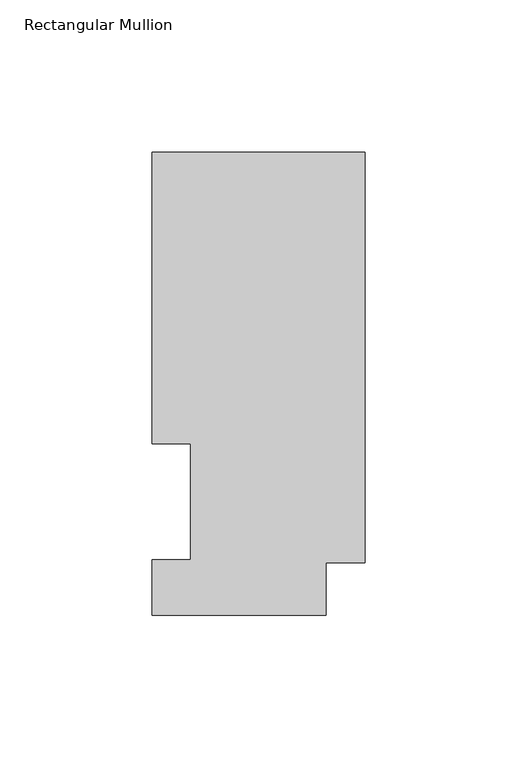
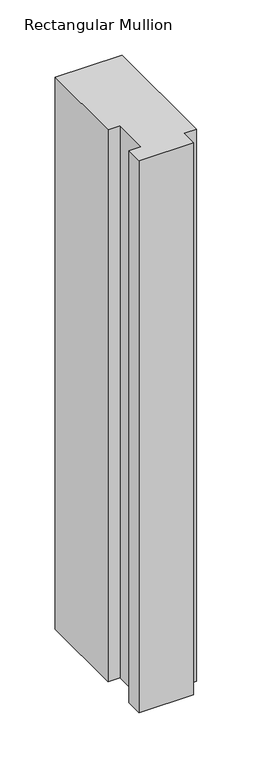
"""IFC4 building model written with IfcOpenShell, lengths in millimetres: member geometry, Rectangular Mullion."""

import ifcopenshell
import ifcopenshell.guid

model = None  # the IFC model being written
_history = None  # IfcOwnerHistory: only IFC2X3 demands one
_inside = {}  # id of a spatial element -> (the spatial element, [elements in it])
_under = {}  # id of a project, library or spatial element -> (it, [spatial elements below it])
_declared = {}  # id of a project -> (the project, [libraries it declares])
_typed = {}  # id of a type object -> (the type object, [elements of that type])
_made_of = {}  # id of a material, layer set ... -> (it, [elements and type objects made of it])


def new_model(schema):
    """Start an empty IFC model of exactly this schema.

    Asked for "IFC4X3", IfcOpenShell would pick the latest addendum, in which some entities
    have other attributes; the version numbers below select the first issue.
    IFC2X3 requires an IfcOwnerHistory on every rooted entity: one is made here for all.
    """
    global model, _history
    if schema == "IFC4X3":
        model = ifcopenshell.file(schema_version=(4, 3, 0, 0))
    else:
        model = ifcopenshell.file(schema=schema)
    _inside.clear()
    _under.clear()
    _declared.clear()
    _typed.clear()
    _made_of.clear()
    _history = None
    if model.schema == "IFC2X3":
        org = make("IfcOrganization", Name="unknown")
        user = make(
            "IfcPersonAndOrganization",
            ThePerson=make("IfcPerson", FamilyName="unknown"),
            TheOrganization=org,
        )
        app = make(
            "IfcApplication",
            ApplicationDeveloper=org,
            Version="unknown",
            ApplicationFullName="unknown",
            ApplicationIdentifier="unknown",
        )
        _history = make(
            "IfcOwnerHistory",
            OwningUser=user,
            OwningApplication=app,
            ChangeAction="ADDED",
            CreationDate=0,
        )
    return model


def make(cls, **values):
    """One entity of the class cls with the attributes given. An attribute that is None is left unset."""
    return model.create_entity(
        cls, **{name: value for name, value in values.items() if value is not None}
    )


def rooted(cls, **values):
    """An entity with a GlobalId (a new one), such as an element, a storey or a relation."""
    return make(cls, GlobalId=ifcopenshell.guid.new(), OwnerHistory=_history, **values)


def si_unit(unit_type, name, prefix=None):
    """IfcSIUnit, for example si_unit("LENGTHUNIT", "METRE", prefix="MILLI")."""
    return make("IfcSIUnit", UnitType=unit_type, Prefix=prefix, Name=name)


def assignment(units):
    """IfcUnitAssignment: the units of a project."""
    return None if units is None else make("IfcUnitAssignment", Units=units)


def point(xyz):
    """IfcCartesianPoint."""
    return None if xyz is None else make("IfcCartesianPoint", Coordinates=xyz)


def direction(xyz):
    """IfcDirection."""
    return None if xyz is None else make("IfcDirection", DirectionRatios=xyz)


def frame(location, z_axis=None, x_axis=None):
    """IfcAxis2Placement3D, a coordinate frame: its origin and axes. An axis left out is left unset."""
    return make(
        "IfcAxis2Placement3D",
        Location=point(location),
        Axis=direction(z_axis),
        RefDirection=direction(x_axis),
    )


def origin():
    """The frame at (0, 0, 0) with its axes left unset."""
    return frame((0.0, 0.0, 0.0))


def place(relative_to, where):
    """IfcLocalPlacement: puts the frame where relative to a parent placement (None: the world)."""
    return make(
        "IfcLocalPlacement", PlacementRelTo=relative_to, RelativePlacement=where
    )


def context(
    kind, dimensions, precision=None, world=None, true_north=None, identifier=None
):
    """IfcGeometricRepresentationContext, for example the 3D "Model" context."""
    return make(
        "IfcGeometricRepresentationContext",
        ContextIdentifier=identifier,
        ContextType=kind,
        CoordinateSpaceDimension=dimensions,
        Precision=precision,
        WorldCoordinateSystem=world,
        TrueNorth=true_north,
    )


def project(units=None, contexts=None):
    """IfcProject with its units and contexts."""
    return rooted(
        "IfcProject",
        Name="project",
        RepresentationContexts=contexts,
        UnitsInContext=assignment(units),
    )


def spatial(cls, under=None, at=None, **own):
    """A site, building, storey or space (cls), placed at a placement, below another one or the project."""
    s = rooted(cls, ObjectPlacement=at, **own)
    if under is not None:
        _under.setdefault(under.id(), (under, []))[1].append(s)
    return s


def polyline(points):
    """IfcPolyline through the points."""
    return make("IfcPolyline", Points=[point(p) for p in points])


def outline(outer, holes=None, kind="AREA"):
    """IfcArbitraryClosedProfileDef: a profile drawn as a closed curve; with holes, ...WithVoids."""
    if holes is None:
        return make("IfcArbitraryClosedProfileDef", ProfileType=kind, OuterCurve=outer)
    return make(
        "IfcArbitraryProfileDefWithVoids",
        ProfileType=kind,
        OuterCurve=outer,
        InnerCurves=holes,
    )


def extrude(swept, where, along, depth):
    """IfcExtrudedAreaSolid: the profile swept, set in the frame where, extruded along a direction by depth."""
    return make(
        "IfcExtrudedAreaSolid",
        SweptArea=swept,
        Position=where,
        ExtrudedDirection=direction(along),
        Depth=depth,
    )


def shape(context_of_items, identifier, shape_type, items):
    """IfcShapeRepresentation: the items that make up one representation, for example the "Body"."""
    return make(
        "IfcShapeRepresentation",
        ContextOfItems=context_of_items,
        RepresentationIdentifier=identifier,
        RepresentationType=shape_type,
        Items=items,
    )


def source(mapping_origin, context_of_items, identifier, shape_type, items):
    """IfcRepresentationMap: a shape defined once, which mapped items show again and again."""
    return make(
        "IfcRepresentationMap",
        MappingOrigin=mapping_origin,
        MappedRepresentation=shape(context_of_items, identifier, shape_type, items),
    )


def transform(
    local_origin,
    x_axis=None,
    y_axis=None,
    z_axis=None,
    scale=None,
    scale2=None,
    scale3=None,
    uniform=True,
):
    """IfcCartesianTransformationOperator3D, or its non-uniform kind. x_axis, y_axis, z_axis: its Axis1, 2, 3."""
    if uniform:
        return make(
            "IfcCartesianTransformationOperator3D",
            Axis1=direction(x_axis),
            Axis2=direction(y_axis),
            LocalOrigin=point(local_origin),
            Scale=scale,
            Axis3=direction(z_axis),
        )
    return make(
        "IfcCartesianTransformationOperator3DnonUniform",
        Axis1=direction(x_axis),
        Axis2=direction(y_axis),
        LocalOrigin=point(local_origin),
        Scale=scale,
        Axis3=direction(z_axis),
        Scale2=scale2,
        Scale3=scale3,
    )


def mapped(mapping_source, mapping_target):
    """IfcMappedItem: shows the shape of a source again, moved by a transform."""
    return make(
        "IfcMappedItem", MappingSource=mapping_source, MappingTarget=mapping_target
    )


def made_of(thing, what):
    """Note that an element or type object is made of a material, layer set ...; save() writes the relation."""
    if what is not None:
        _made_of.setdefault(what.id(), (what, []))[1].append(thing)
    return thing


def element(
    cls,
    number,
    at=None,
    inside=None,
    cuts=None,
    type_object=None,
    material=None,
    context=None,
    identifier="Body",
    shape_type=None,
    held_by="IfcProductDefinitionShape",
    body=None,
    shapes=None,
    **own,
):
    """One element of the class cls, such as IfcWall. Its Tag is "e" and its number.

    at: its placement. inside: the storey or other place that contains it. cuts: it is an
    opening in that element (IfcRelVoidsElement). A single representation is given by context,
    identifier, shape_type and body (its items); several are given by shapes. held_by: the class
    of the entity that holds the representations. save() writes the other relations.
    """
    e = rooted(cls, Tag="e%d" % number, ObjectPlacement=at, **own)
    if body is not None:
        shapes = [shape(context, identifier, shape_type, body)]
    if shapes is not None:
        e.Representation = make(held_by, Representations=shapes)
    if inside is not None:
        _inside.setdefault(inside.id(), (inside, []))[1].append(e)
    if cuts is not None:
        rooted(
            "IfcRelVoidsElement", RelatingBuildingElement=cuts, RelatedOpeningElement=e
        )
    if type_object is not None:
        _typed.setdefault(type_object.id(), (type_object, []))[1].append(e)
    return made_of(e, material)


def aggregate(whole, parts):
    """IfcRelAggregates: a whole, such as a stair, and the parts it consists of."""
    return rooted("IfcRelAggregates", RelatingObject=whole, RelatedObjects=parts)


def save(model, path):
    """Write the relations noted so far, then the file.

    IfcRelAggregates (storeys below a building ...), IfcRelContainedInSpatialStructure (elements
    in a storey), IfcRelDefinesByType, IfcRelAssociatesMaterial and IfcRelDeclares: one each for
    every whole, place, type object, material and project.
    """
    for whole, parts in _under.values():
        aggregate(whole, parts)
    for where, things in _inside.values():
        rooted(
            "IfcRelContainedInSpatialStructure",
            RelatedElements=things,
            RelatingStructure=where,
        )
    for kind, things in _typed.values():
        rooted("IfcRelDefinesByType", RelatedObjects=things, RelatingType=kind)
    for what, things in _made_of.values():
        rooted("IfcRelAssociatesMaterial", RelatedObjects=things, RelatingMaterial=what)
    for by, libraries in _declared.values():
        rooted("IfcRelDeclares", RelatingContext=by, RelatedDefinitions=libraries)
    model.write(path)


def rectangular_mullion_de36c029(model_context):
    return source(origin(), model_context, "Body", "SweptSolid", [
        extrude(outline(polyline([(0.0, 151.98725), (0.0, 17.2502496), (-12.7, 17.2502496), (-12.7, -0.03175), (-69.85, -0.03175), (-69.85, 18.25625), (-57.15, 18.25625), (-57.15, 56.35625), (-69.85, 56.35625), (-69.85, 151.98725), (0.0, 151.98725)])), frame((0.0, 0.0, -609.6), z_axis=(0.0, 0.0, 1.0), x_axis=(1.0, 0.0, 0.0)), (0.0, 0.0, 1.0), 609.6),
    ])


if __name__ == "__main__":
    model = new_model("IFC4")
    model_context = context("Model", 3, world=origin())
    ifc_project = project(units=[si_unit("LENGTHUNIT", "METRE", prefix="MILLI")], contexts=[model_context])
    site = spatial("IfcSite", under=ifc_project)
    building = spatial("IfcBuilding", under=site)
    placement = place(None, origin())
    rectangular_mullion_shape = rectangular_mullion_de36c029(model_context)
    element("IfcMember", 1, ObjectType="Rectangular Mullion", at=placement, inside=building, context=model_context, shape_type="MappedRepresentation", body=[
        mapped(rectangular_mullion_shape, transform((0.0, 0.0, 0.0), x_axis=(1.0, 0.0, 0.0), y_axis=(0.0, 1.0, 0.0), z_axis=(0.0, 0.0, 1.0))),
    ])
    save(model, "model.ifc")
